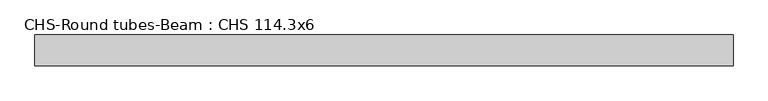
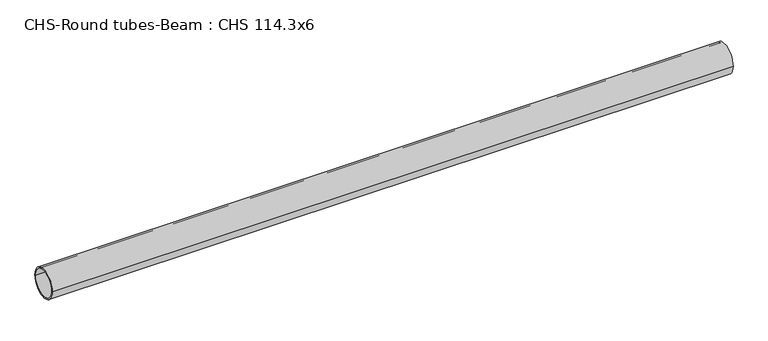
"""IFC4 building model written with IfcOpenShell, lengths in millimetres: beam geometry, CHS-Round tubes-Beam : CHS 114.3x6."""

from ifc_helpers import new_model, si_unit, point, frame, origin, origin_2d, place, context, project, spatial, circle_curve, trimmed, segment, composite_curve, outline, extrude, source, transform, mapped, element, save


def chs_round_tubes_beam_chs_114_3x6_2d324922(model_context):
    return source(origin(), model_context, "Body", "SweptSolid", [
        extrude(outline(composite_curve([segment(trimmed(circle_curve(origin_2d(), 57.15), [point((57.15, 0.0))], [point((-57.15, 0.0))], False, "CARTESIAN"), True, "CONTINUOUS"), segment(trimmed(circle_curve(origin_2d(), 57.15), [point((-57.15, 0.0))], [point((57.15, 0.0))], False, "CARTESIAN"), True, "CONTINUOUS")], self_intersect=False), holes=[composite_curve([segment(trimmed(circle_curve(origin_2d(), 51.15), [point((51.15, 0.0))], [point((-51.15, 0.0))], True, "CARTESIAN"), True, "CONTINUOUS"), segment(trimmed(circle_curve(origin_2d(), 51.15), [point((-51.15, 0.0))], [point((51.15, 0.0))], True, "CARTESIAN"), True, "CONTINUOUS")], self_intersect=False)]), frame((-1260.9010283, 0.0, 0.0), z_axis=(1.0, 0.0, 0.0), x_axis=(0.0, 1.0, 0.0)), (0.0, 0.0, 1.0), 2593.2504397),
    ])


if __name__ == "__main__":
    model = new_model("IFC4")
    model_context = context("Model", 3, world=origin())
    ifc_project = project(units=[si_unit("LENGTHUNIT", "METRE", prefix="MILLI")], contexts=[model_context])
    site = spatial("IfcSite", under=ifc_project)
    building = spatial("IfcBuilding", under=site)
    placement = place(None, origin())
    chs_round_tubes_beam_chs_114_3x6_shape = chs_round_tubes_beam_chs_114_3x6_2d324922(model_context)
    element("IfcBeam", 1, ObjectType="CHS-Round tubes-Beam : CHS 114.3x6", at=placement, inside=building, context=model_context, shape_type="MappedRepresentation", body=[
        mapped(chs_round_tubes_beam_chs_114_3x6_shape, transform((0.0, 0.0, 0.0), x_axis=(1.0, 0.0, 0.0), y_axis=(0.0, 1.0, 0.0), z_axis=(0.0, 0.0, 1.0))),
    ])
    save(model, "model.ifc")
